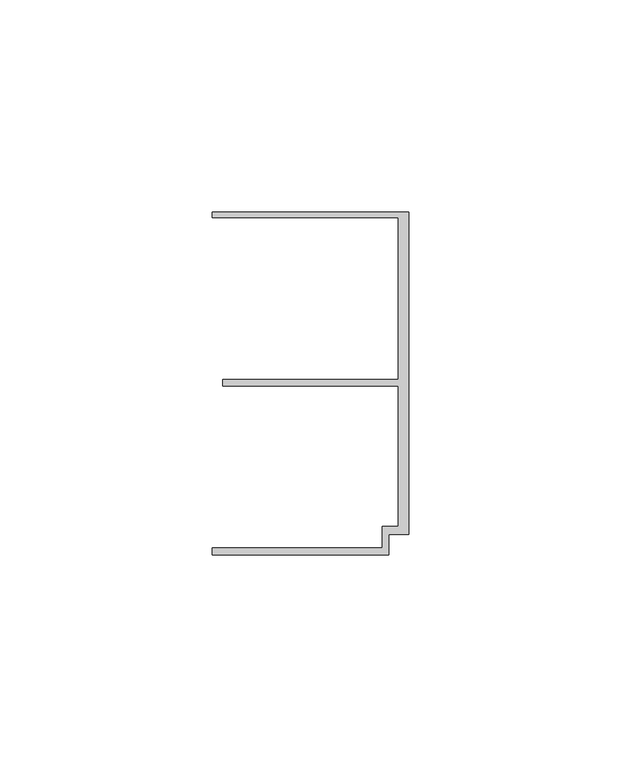
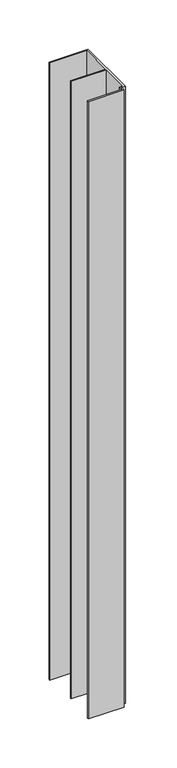
"""IFC4 building model written with IfcOpenShell, lengths in millimetres: member geometry."""

import ifcopenshell
import ifcopenshell.guid

model = None  # the IFC model being written
_history = None  # IfcOwnerHistory: only IFC2X3 demands one
_inside = {}  # id of a spatial element -> (the spatial element, [elements in it])
_under = {}  # id of a project, library or spatial element -> (it, [spatial elements below it])
_declared = {}  # id of a project -> (the project, [libraries it declares])
_typed = {}  # id of a type object -> (the type object, [elements of that type])
_made_of = {}  # id of a material, layer set ... -> (it, [elements and type objects made of it])


def new_model(schema):
    """Start an empty IFC model of exactly this schema.

    Asked for "IFC4X3", IfcOpenShell would pick the latest addendum, in which some entities
    have other attributes; the version numbers below select the first issue.
    IFC2X3 requires an IfcOwnerHistory on every rooted entity: one is made here for all.
    """
    global model, _history
    if schema == "IFC4X3":
        model = ifcopenshell.file(schema_version=(4, 3, 0, 0))
    else:
        model = ifcopenshell.file(schema=schema)
    _inside.clear()
    _under.clear()
    _declared.clear()
    _typed.clear()
    _made_of.clear()
    _history = None
    if model.schema == "IFC2X3":
        org = make("IfcOrganization", Name="unknown")
        user = make(
            "IfcPersonAndOrganization",
            ThePerson=make("IfcPerson", FamilyName="unknown"),
            TheOrganization=org,
        )
        app = make(
            "IfcApplication",
            ApplicationDeveloper=org,
            Version="unknown",
            ApplicationFullName="unknown",
            ApplicationIdentifier="unknown",
        )
        _history = make(
            "IfcOwnerHistory",
            OwningUser=user,
            OwningApplication=app,
            ChangeAction="ADDED",
            CreationDate=0,
        )
    return model


def make(cls, **values):
    """One entity of the class cls with the attributes given. An attribute that is None is left unset."""
    return model.create_entity(
        cls, **{name: value for name, value in values.items() if value is not None}
    )


def rooted(cls, **values):
    """An entity with a GlobalId (a new one), such as an element, a storey or a relation."""
    return make(cls, GlobalId=ifcopenshell.guid.new(), OwnerHistory=_history, **values)


def si_unit(unit_type, name, prefix=None):
    """IfcSIUnit, for example si_unit("LENGTHUNIT", "METRE", prefix="MILLI")."""
    return make("IfcSIUnit", UnitType=unit_type, Prefix=prefix, Name=name)


def assignment(units):
    """IfcUnitAssignment: the units of a project."""
    return None if units is None else make("IfcUnitAssignment", Units=units)


def point(xyz):
    """IfcCartesianPoint."""
    return None if xyz is None else make("IfcCartesianPoint", Coordinates=xyz)


def direction(xyz):
    """IfcDirection."""
    return None if xyz is None else make("IfcDirection", DirectionRatios=xyz)


def frame(location, z_axis=None, x_axis=None):
    """IfcAxis2Placement3D, a coordinate frame: its origin and axes. An axis left out is left unset."""
    return make(
        "IfcAxis2Placement3D",
        Location=point(location),
        Axis=direction(z_axis),
        RefDirection=direction(x_axis),
    )


def origin():
    """The frame at (0, 0, 0) with its axes left unset."""
    return frame((0.0, 0.0, 0.0))


def place(relative_to, where):
    """IfcLocalPlacement: puts the frame where relative to a parent placement (None: the world)."""
    return make(
        "IfcLocalPlacement", PlacementRelTo=relative_to, RelativePlacement=where
    )


def context(
    kind, dimensions, precision=None, world=None, true_north=None, identifier=None
):
    """IfcGeometricRepresentationContext, for example the 3D "Model" context."""
    return make(
        "IfcGeometricRepresentationContext",
        ContextIdentifier=identifier,
        ContextType=kind,
        CoordinateSpaceDimension=dimensions,
        Precision=precision,
        WorldCoordinateSystem=world,
        TrueNorth=true_north,
    )


def project(units=None, contexts=None):
    """IfcProject with its units and contexts."""
    return rooted(
        "IfcProject",
        Name="project",
        RepresentationContexts=contexts,
        UnitsInContext=assignment(units),
    )


def spatial(cls, under=None, at=None, **own):
    """A site, building, storey or space (cls), placed at a placement, below another one or the project."""
    s = rooted(cls, ObjectPlacement=at, **own)
    if under is not None:
        _under.setdefault(under.id(), (under, []))[1].append(s)
    return s


def polyline(points):
    """IfcPolyline through the points."""
    return make("IfcPolyline", Points=[point(p) for p in points])


def outline(outer, holes=None, kind="AREA"):
    """IfcArbitraryClosedProfileDef: a profile drawn as a closed curve; with holes, ...WithVoids."""
    if holes is None:
        return make("IfcArbitraryClosedProfileDef", ProfileType=kind, OuterCurve=outer)
    return make(
        "IfcArbitraryProfileDefWithVoids",
        ProfileType=kind,
        OuterCurve=outer,
        InnerCurves=holes,
    )


def extrude(swept, where, along, depth):
    """IfcExtrudedAreaSolid: the profile swept, set in the frame where, extruded along a direction by depth."""
    return make(
        "IfcExtrudedAreaSolid",
        SweptArea=swept,
        Position=where,
        ExtrudedDirection=direction(along),
        Depth=depth,
    )


def shape(context_of_items, identifier, shape_type, items):
    """IfcShapeRepresentation: the items that make up one representation, for example the "Body"."""
    return make(
        "IfcShapeRepresentation",
        ContextOfItems=context_of_items,
        RepresentationIdentifier=identifier,
        RepresentationType=shape_type,
        Items=items,
    )


def source(mapping_origin, context_of_items, identifier, shape_type, items):
    """IfcRepresentationMap: a shape defined once, which mapped items show again and again."""
    return make(
        "IfcRepresentationMap",
        MappingOrigin=mapping_origin,
        MappedRepresentation=shape(context_of_items, identifier, shape_type, items),
    )


def transform(
    local_origin,
    x_axis=None,
    y_axis=None,
    z_axis=None,
    scale=None,
    scale2=None,
    scale3=None,
    uniform=True,
):
    """IfcCartesianTransformationOperator3D, or its non-uniform kind. x_axis, y_axis, z_axis: its Axis1, 2, 3."""
    if uniform:
        return make(
            "IfcCartesianTransformationOperator3D",
            Axis1=direction(x_axis),
            Axis2=direction(y_axis),
            LocalOrigin=point(local_origin),
            Scale=scale,
            Axis3=direction(z_axis),
        )
    return make(
        "IfcCartesianTransformationOperator3DnonUniform",
        Axis1=direction(x_axis),
        Axis2=direction(y_axis),
        LocalOrigin=point(local_origin),
        Scale=scale,
        Axis3=direction(z_axis),
        Scale2=scale2,
        Scale3=scale3,
    )


def mapped(mapping_source, mapping_target):
    """IfcMappedItem: shows the shape of a source again, moved by a transform."""
    return make(
        "IfcMappedItem", MappingSource=mapping_source, MappingTarget=mapping_target
    )


def made_of(thing, what):
    """Note that an element or type object is made of a material, layer set ...; save() writes the relation."""
    if what is not None:
        _made_of.setdefault(what.id(), (what, []))[1].append(thing)
    return thing


def element(
    cls,
    number,
    at=None,
    inside=None,
    cuts=None,
    type_object=None,
    material=None,
    context=None,
    identifier="Body",
    shape_type=None,
    held_by="IfcProductDefinitionShape",
    body=None,
    shapes=None,
    **own,
):
    """One element of the class cls, such as IfcWall. Its Tag is "e" and its number.

    at: its placement. inside: the storey or other place that contains it. cuts: it is an
    opening in that element (IfcRelVoidsElement). A single representation is given by context,
    identifier, shape_type and body (its items); several are given by shapes. held_by: the class
    of the entity that holds the representations. save() writes the other relations.
    """
    e = rooted(cls, Tag="e%d" % number, ObjectPlacement=at, **own)
    if body is not None:
        shapes = [shape(context, identifier, shape_type, body)]
    if shapes is not None:
        e.Representation = make(held_by, Representations=shapes)
    if inside is not None:
        _inside.setdefault(inside.id(), (inside, []))[1].append(e)
    if cuts is not None:
        rooted(
            "IfcRelVoidsElement", RelatingBuildingElement=cuts, RelatedOpeningElement=e
        )
    if type_object is not None:
        _typed.setdefault(type_object.id(), (type_object, []))[1].append(e)
    return made_of(e, material)


def aggregate(whole, parts):
    """IfcRelAggregates: a whole, such as a stair, and the parts it consists of."""
    return rooted("IfcRelAggregates", RelatingObject=whole, RelatedObjects=parts)


def save(model, path):
    """Write the relations noted so far, then the file.

    IfcRelAggregates (storeys below a building ...), IfcRelContainedInSpatialStructure (elements
    in a storey), IfcRelDefinesByType, IfcRelAssociatesMaterial and IfcRelDeclares: one each for
    every whole, place, type object, material and project.
    """
    for whole, parts in _under.values():
        aggregate(whole, parts)
    for where, things in _inside.values():
        rooted(
            "IfcRelContainedInSpatialStructure",
            RelatedElements=things,
            RelatingStructure=where,
        )
    for kind, things in _typed.values():
        rooted("IfcRelDefinesByType", RelatedObjects=things, RelatingType=kind)
    for what, things in _made_of.values():
        rooted("IfcRelAssociatesMaterial", RelatedObjects=things, RelatingMaterial=what)
    for by, libraries in _declared.values():
        rooted("IfcRelDeclares", RelatingContext=by, RelatedDefinitions=libraries)
    model.write(path)


def member_cf7984e8(model_context):
    return source(origin(), model_context, "Body", "SweptSolid", [
        extrude(outline(polyline([(-6.2, -33.95), (-2.4, -33.95), (-2.4, -0.75), (-43.8, -0.75), (-43.8, 0.75), (-2.4, 0.75), (-2.4, 38.95), (-46.3, 38.95), (-46.3, 40.25), (0.0, 40.25), (0.0, -35.75), (-4.6999992, -35.75), (-4.6999992, -40.65), (-46.3, -40.65), (-46.3, -38.95), (-6.2, -38.95), (-6.2, -33.95)])), frame((0.0, 0.0, -767.5), z_axis=(0.0, 0.0, 1.0), x_axis=(1.0, 0.0, 0.0)), (0.0, 0.0, 1.0), 767.5),
    ])


if __name__ == "__main__":
    model = new_model("IFC4")
    model_context = context("Model", 3, world=origin())
    ifc_project = project(units=[si_unit("LENGTHUNIT", "METRE", prefix="MILLI")], contexts=[model_context])
    site = spatial("IfcSite", under=ifc_project)
    building = spatial("IfcBuilding", under=site)
    placement = place(None, origin())
    member_shape = member_cf7984e8(model_context)
    element("IfcMember", 1, at=placement, inside=building, context=model_context, shape_type="MappedRepresentation", body=[
        mapped(member_shape, transform((0.0, 0.0, 0.0), x_axis=(1.0, 0.0, 0.0), y_axis=(0.0, 1.0, 0.0), z_axis=(0.0, 0.0, 1.0))),
    ])
    save(model, "model.ifc")
